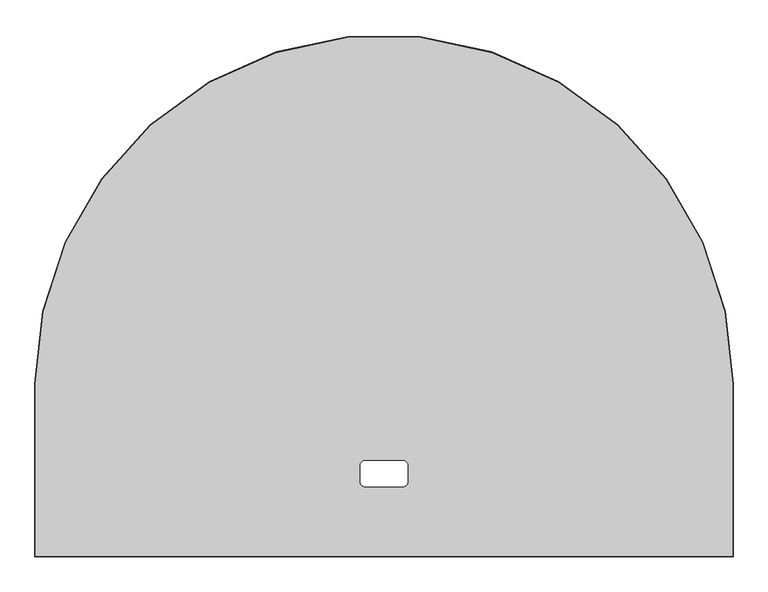
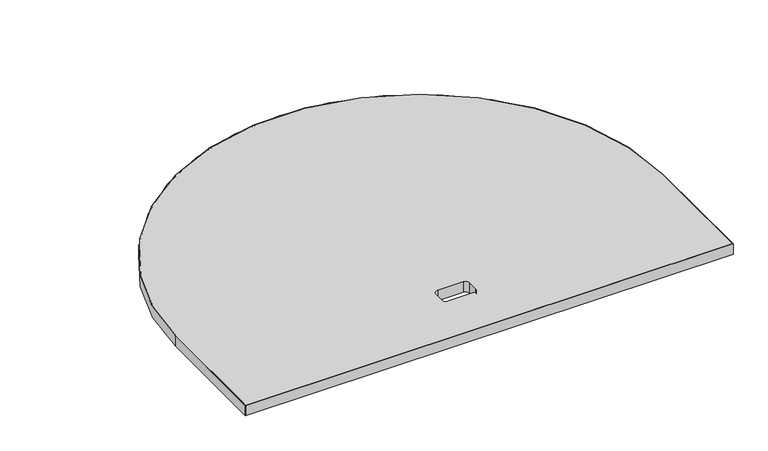
"""IFC4 building model written with IfcOpenShell, lengths in millimetres: furniture geometry."""

from ifc_helpers import new_model, si_unit, point, frame, frame_2d, origin, place, context, project, spatial, polyline, circle_curve, trimmed, segment, composite_curve, outline, extrude, source, transform, mapped, element, save


def furniture_ab298185(model_context):
    return source(origin(), model_context, "Body", "SweptSolid", [
        extrude(outline(composite_curve([segment(trimmed(circle_curve(frame_2d((609.6, 304.8)), 608.584), [point((1.016, 304.8))], [point((1218.184, 304.8))], False, "CARTESIAN"), True, "CONTINUOUS"), segment(polyline([(1218.184, 304.8), (1218.184, 4.1910001), (1.016, 4.1910001), (1.016, 304.8)]), True, "CONTINUOUS")], self_intersect=False), holes=[composite_curve([segment(trimmed(circle_curve(frame_2d((577.3420126, 161.5439913)), 9.525), [point((577.3420126, 171.0689913))], [point((567.8170126, 161.5439913))], True, "CARTESIAN"), True, "CONTINUOUS"), segment(polyline([(567.8170126, 161.5439913), (567.8170126, 135.1279983)]), True, "CONTINUOUS"), segment(trimmed(circle_curve(frame_2d((577.3420126, 135.1279983)), 9.525), [point((567.8170126, 135.1279983))], [point((577.3420126, 125.6029983))], True, "CARTESIAN"), True, "CONTINUOUS"), segment(polyline([(577.3420126, 125.6029983), (641.8579874, 125.6029983)]), True, "CONTINUOUS"), segment(trimmed(circle_curve(frame_2d((641.8579874, 135.1279983)), 9.525), [point((641.8579874, 125.6029983))], [point((651.3829874, 135.1279983))], True, "CARTESIAN"), True, "CONTINUOUS"), segment(polyline([(651.3829874, 135.1279983), (651.3829874, 161.5439913)]), True, "CONTINUOUS"), segment(trimmed(circle_curve(frame_2d((641.8579874, 161.5439913)), 9.525), [point((651.3829874, 161.5439913))], [point((641.8579874, 171.0689913))], True, "CARTESIAN"), True, "CONTINUOUS"), segment(polyline([(641.8579874, 171.0689913), (577.3420126, 171.0689913)]), True, "CONTINUOUS")], self_intersect=False)]), frame((0.0, 0.0, 697.2297529), z_axis=(0.0, 0.0, 1.0), x_axis=(1.0, 0.0, 0.0)), (0.0, 0.0, 1.0), 26.924),
        extrude(outline(composite_curve([segment(trimmed(circle_curve(frame_2d((609.6, 304.8)), 609.6), [point((0.0, 304.8))], [point((1219.2, 304.8))], False, "CARTESIAN"), True, "CONTINUOUS"), segment(polyline([(1219.2, 304.8), (1219.2, 3.1750001), (0.0, 3.1750001), (0.0, 304.8)]), True, "CONTINUOUS")], self_intersect=False), holes=[composite_curve([segment(polyline([(1.016, 4.1910001), (1218.184, 4.1910001), (1218.184, 304.8)]), True, "CONTINUOUS"), segment(trimmed(circle_curve(frame_2d((609.6, 304.8)), 608.584), [point((1218.184, 304.8))], [point((1.016, 304.8))], True, "CARTESIAN"), True, "CONTINUOUS"), segment(polyline([(1.016, 304.8), (1.016, 4.1910001)]), True, "CONTINUOUS")], self_intersect=False)]), frame((0.0, 0.0, 697.2297529), z_axis=(0.0, 0.0, 1.0), x_axis=(1.0, 0.0, 0.0)), (0.0, 0.0, 1.0), 26.924),
    ])


if __name__ == "__main__":
    model = new_model("IFC4")
    model_context = context("Model", 3, world=origin())
    ifc_project = project(units=[si_unit("LENGTHUNIT", "METRE", prefix="MILLI")], contexts=[model_context])
    site = spatial("IfcSite", under=ifc_project)
    building = spatial("IfcBuilding", under=site)
    placement = place(None, origin())
    furniture_shape = furniture_ab298185(model_context)
    element("IfcFurniture", 1, at=placement, inside=building, context=model_context, shape_type="MappedRepresentation", body=[
        mapped(furniture_shape, transform((0.0, 0.0, 0.0), x_axis=(1.0, 0.0, 0.0), y_axis=(0.0, 1.0, 0.0), z_axis=(0.0, 0.0, 1.0))),
    ])
    save(model, "model.ifc")
